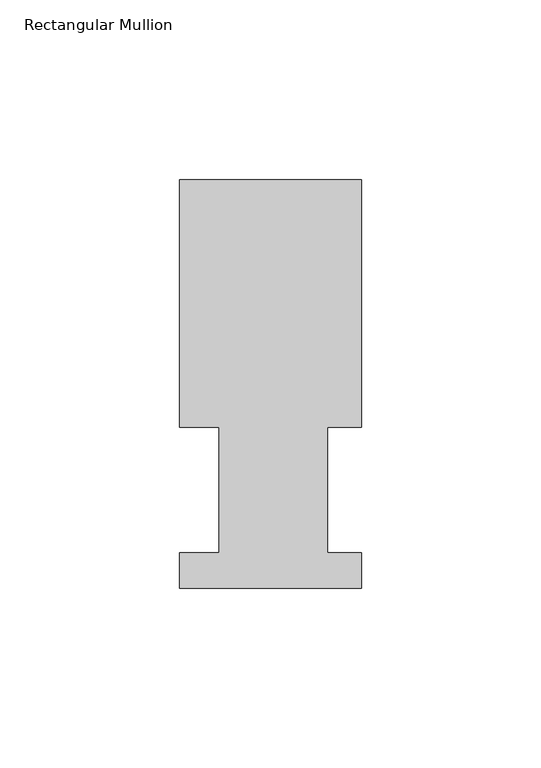
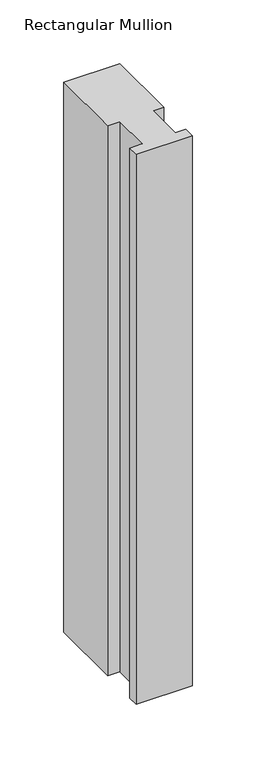
"""IFC4 building model written with IfcOpenShell, lengths in millimetres: member geometry, Rectangular Mullion."""

from ifc_helpers import new_model, si_unit, frame, origin, place, context, project, spatial, polyline, outline, extrude, source, transform, mapped, element, save


def rectangular_mullion_cfd5d798(model_context):
    return source(origin(), model_context, "Body", "SweptSolid", [
        extrude(outline(polyline([(-50.8, 113.8189875), (0.0, 113.8189875), (0.0, 44.8579875), (-9.525, 44.8579875), (-9.525, 9.9329875), (0.0, 9.9329875), (0.0, 0.0269875), (-50.8, 0.0269875), (-50.8, 9.9329875), (-39.6875, 9.9329875), (-39.6875, 44.8579875), (-50.8, 44.8579875), (-50.8, 113.8189875)])), frame((0.0, 0.0, -527.0476187), z_axis=(0.0, 0.0, 1.0), x_axis=(1.0, 0.0, 0.0)), (0.0, 0.0, 1.0), 527.0476187),
    ])


if __name__ == "__main__":
    model = new_model("IFC4")
    model_context = context("Model", 3, world=origin())
    ifc_project = project(units=[si_unit("LENGTHUNIT", "METRE", prefix="MILLI")], contexts=[model_context])
    site = spatial("IfcSite", under=ifc_project)
    building = spatial("IfcBuilding", under=site)
    placement = place(None, origin())
    rectangular_mullion_shape = rectangular_mullion_cfd5d798(model_context)
    element("IfcMember", 1, ObjectType="Rectangular Mullion", at=placement, inside=building, context=model_context, shape_type="MappedRepresentation", body=[
        mapped(rectangular_mullion_shape, transform((0.0, 0.0, 0.0), x_axis=(1.0, 0.0, 0.0), y_axis=(0.0, 1.0, 0.0), z_axis=(0.0, 0.0, 1.0))),
    ])
    save(model, "model.ifc")
